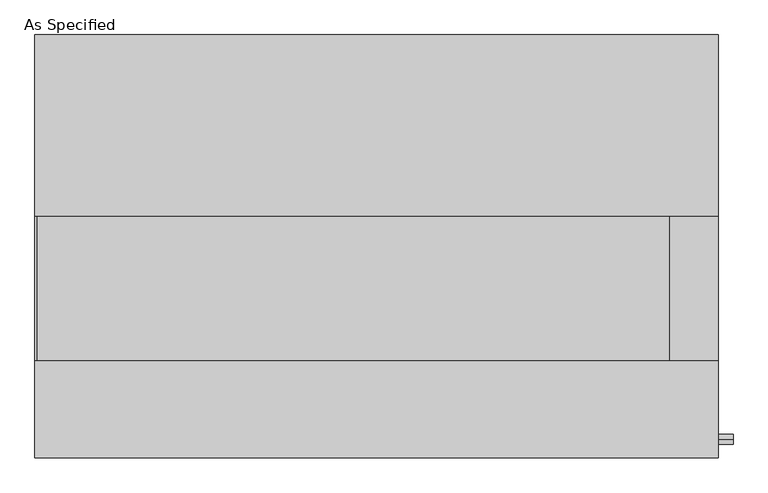
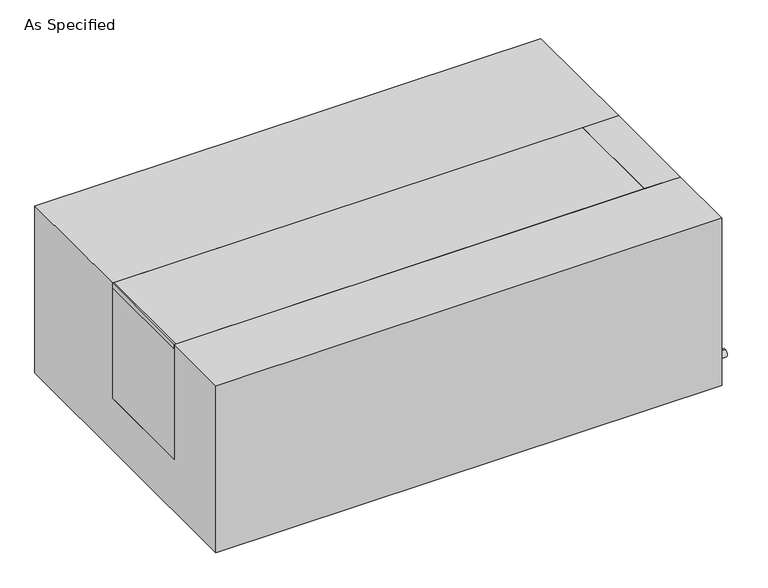
"""IFC4 building model written with IfcOpenShell, lengths in millimetres: proxy geometry, As Specified."""

from ifc_helpers import new_model, si_unit, point, frame, frame_2d, origin, place, context, project, spatial, polyline, circle_curve, trimmed, segment, composite_curve, outline, extrude, source, transform, mapped, element, save


def as_specified_7a466677(model_context):
    return source(origin(), model_context, "Body", "SweptSolid", [
        extrude(outline(composite_curve([segment(trimmed(circle_curve(frame_2d((-407.9875, -466.725)), 10.5), [point((-407.9875, -456.225))], [point((-407.9875, -477.225))], False, "CARTESIAN"), True, "CONTINUOUS"), segment(trimmed(circle_curve(frame_2d((-407.9875, -466.725)), 10.5), [point((-407.9875, -477.225))], [point((-407.9875, -456.225))], False, "CARTESIAN"), True, "CONTINUOUS")], self_intersect=False)), frame((722.3125, 0.0, 0.0), z_axis=(1.0, 0.0, 0.0), x_axis=(0.0, 1.0, 0.0)), (0.0, 0.0, 1.0), 31.8403384),
        extrude(outline(polyline([(619.91875, -241.3), (619.91875, 63.5), (722.3125, 63.5), (722.3125, -241.3), (619.91875, -241.3)])), frame((0.0, 0.0, -373.0625), z_axis=(0.0, 0.0, 1.0), x_axis=(1.0, 0.0, 0.0)), (0.0, 0.0, 1.0), 347.6625),
        extrude(outline(polyline([(-718.34375, -241.3), (-722.3125, -241.3), (-722.3125, 63.5), (-718.34375, 63.5), (-718.34375, -241.3)])), frame((0.0, 0.0, -39.6875), z_axis=(0.0, 0.0, 1.0), x_axis=(1.0, 0.0, 0.0)), (0.0, 0.0, 1.0), 14.2875),
        extrude(outline(polyline([(619.91875, 63.5), (619.91875, -241.3), (-722.3125, -241.3), (-722.3125, 63.5), (619.91875, 63.5)])), frame((0.0, 0.0, -373.0625), z_axis=(0.0, 0.0, 1.0), x_axis=(1.0, 0.0, 0.0)), (0.0, 0.0, 1.0), 347.6625),
        extrude(outline(polyline([(447.675, -25.4), (447.675, -530.225), (-447.675, -530.225), (-447.675, -25.4), (-241.3, -25.4), (-241.3, -373.0625), (63.5, -373.0625), (63.5, -25.4), (447.675, -25.4)])), frame((-722.3125, 0.0, 0.0), z_axis=(1.0, 0.0, 0.0), x_axis=(0.0, 1.0, 0.0)), (0.0, 0.0, 1.0), 1444.625),
    ])


if __name__ == "__main__":
    model = new_model("IFC4")
    model_context = context("Model", 3, world=origin())
    ifc_project = project(units=[si_unit("LENGTHUNIT", "METRE", prefix="MILLI")], contexts=[model_context])
    site = spatial("IfcSite", under=ifc_project)
    building = spatial("IfcBuilding", under=site)
    placement = place(None, origin())
    as_specified_shape = as_specified_7a466677(model_context)
    element("IfcBuildingElementProxy", 1, Name="As Specified", ObjectType="As Specified", at=placement, inside=building, context=model_context, shape_type="MappedRepresentation", body=[
        mapped(as_specified_shape, transform((0.0, 0.0, 0.0), x_axis=(1.0, 0.0, 0.0), y_axis=(0.0, 1.0, 0.0), z_axis=(0.0, 0.0, 1.0))),
    ])
    save(model, "model.ifc")
